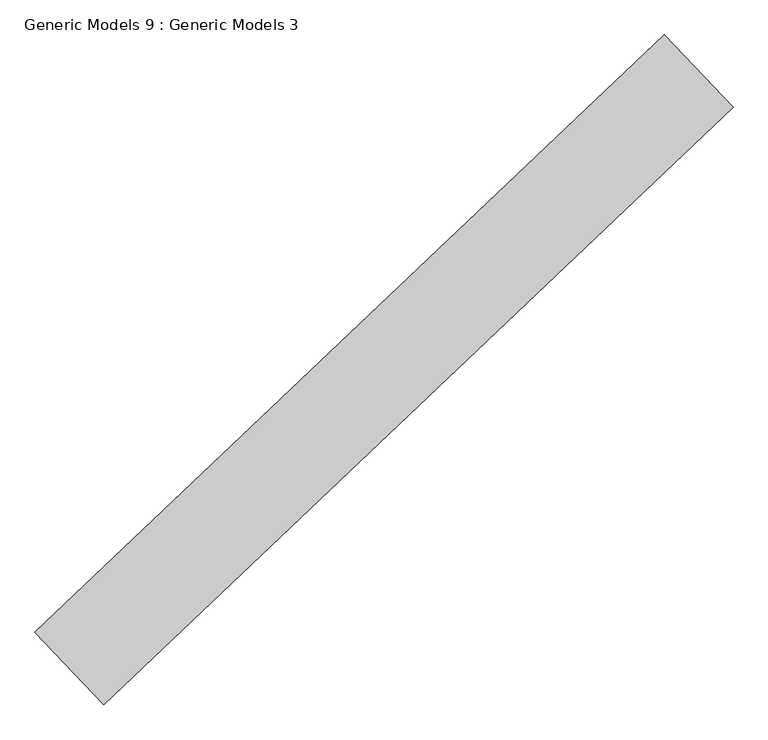
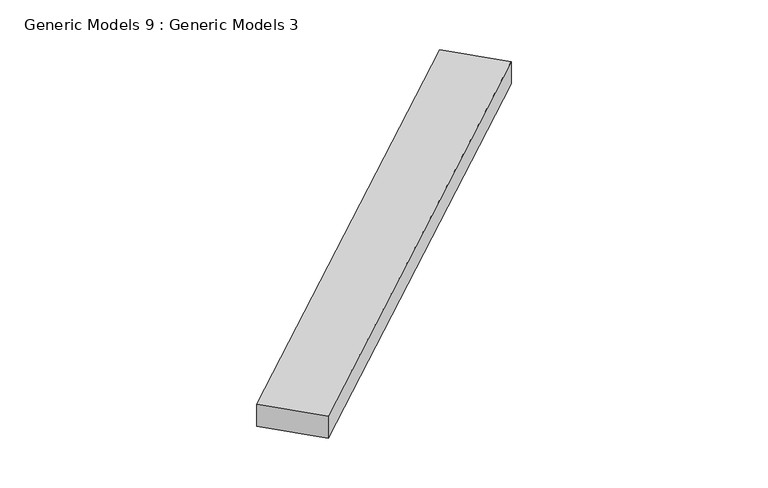
"""IFC4 building model written with IfcOpenShell, lengths in millimetres: proxy geometry, Generic Models 9 : Generic Models 3."""

import ifcopenshell
import ifcopenshell.guid

model = None  # the IFC model being written
_history = None  # IfcOwnerHistory: only IFC2X3 demands one
_inside = {}  # id of a spatial element -> (the spatial element, [elements in it])
_under = {}  # id of a project, library or spatial element -> (it, [spatial elements below it])
_declared = {}  # id of a project -> (the project, [libraries it declares])
_typed = {}  # id of a type object -> (the type object, [elements of that type])
_made_of = {}  # id of a material, layer set ... -> (it, [elements and type objects made of it])


def new_model(schema):
    """Start an empty IFC model of exactly this schema.

    Asked for "IFC4X3", IfcOpenShell would pick the latest addendum, in which some entities
    have other attributes; the version numbers below select the first issue.
    IFC2X3 requires an IfcOwnerHistory on every rooted entity: one is made here for all.
    """
    global model, _history
    if schema == "IFC4X3":
        model = ifcopenshell.file(schema_version=(4, 3, 0, 0))
    else:
        model = ifcopenshell.file(schema=schema)
    _inside.clear()
    _under.clear()
    _declared.clear()
    _typed.clear()
    _made_of.clear()
    _history = None
    if model.schema == "IFC2X3":
        org = make("IfcOrganization", Name="unknown")
        user = make(
            "IfcPersonAndOrganization",
            ThePerson=make("IfcPerson", FamilyName="unknown"),
            TheOrganization=org,
        )
        app = make(
            "IfcApplication",
            ApplicationDeveloper=org,
            Version="unknown",
            ApplicationFullName="unknown",
            ApplicationIdentifier="unknown",
        )
        _history = make(
            "IfcOwnerHistory",
            OwningUser=user,
            OwningApplication=app,
            ChangeAction="ADDED",
            CreationDate=0,
        )
    return model


def make(cls, **values):
    """One entity of the class cls with the attributes given. An attribute that is None is left unset."""
    return model.create_entity(
        cls, **{name: value for name, value in values.items() if value is not None}
    )


def rooted(cls, **values):
    """An entity with a GlobalId (a new one), such as an element, a storey or a relation."""
    return make(cls, GlobalId=ifcopenshell.guid.new(), OwnerHistory=_history, **values)


def si_unit(unit_type, name, prefix=None):
    """IfcSIUnit, for example si_unit("LENGTHUNIT", "METRE", prefix="MILLI")."""
    return make("IfcSIUnit", UnitType=unit_type, Prefix=prefix, Name=name)


def assignment(units):
    """IfcUnitAssignment: the units of a project."""
    return None if units is None else make("IfcUnitAssignment", Units=units)


def point(xyz):
    """IfcCartesianPoint."""
    return None if xyz is None else make("IfcCartesianPoint", Coordinates=xyz)


def direction(xyz):
    """IfcDirection."""
    return None if xyz is None else make("IfcDirection", DirectionRatios=xyz)


def frame(location, z_axis=None, x_axis=None):
    """IfcAxis2Placement3D, a coordinate frame: its origin and axes. An axis left out is left unset."""
    return make(
        "IfcAxis2Placement3D",
        Location=point(location),
        Axis=direction(z_axis),
        RefDirection=direction(x_axis),
    )


def origin():
    """The frame at (0, 0, 0) with its axes left unset."""
    return frame((0.0, 0.0, 0.0))


def place(relative_to, where):
    """IfcLocalPlacement: puts the frame where relative to a parent placement (None: the world)."""
    return make(
        "IfcLocalPlacement", PlacementRelTo=relative_to, RelativePlacement=where
    )


def context(
    kind, dimensions, precision=None, world=None, true_north=None, identifier=None
):
    """IfcGeometricRepresentationContext, for example the 3D "Model" context."""
    return make(
        "IfcGeometricRepresentationContext",
        ContextIdentifier=identifier,
        ContextType=kind,
        CoordinateSpaceDimension=dimensions,
        Precision=precision,
        WorldCoordinateSystem=world,
        TrueNorth=true_north,
    )


def project(units=None, contexts=None):
    """IfcProject with its units and contexts."""
    return rooted(
        "IfcProject",
        Name="project",
        RepresentationContexts=contexts,
        UnitsInContext=assignment(units),
    )


def spatial(cls, under=None, at=None, **own):
    """A site, building, storey or space (cls), placed at a placement, below another one or the project."""
    s = rooted(cls, ObjectPlacement=at, **own)
    if under is not None:
        _under.setdefault(under.id(), (under, []))[1].append(s)
    return s


def polyline(points):
    """IfcPolyline through the points."""
    return make("IfcPolyline", Points=[point(p) for p in points])


def outline(outer, holes=None, kind="AREA"):
    """IfcArbitraryClosedProfileDef: a profile drawn as a closed curve; with holes, ...WithVoids."""
    if holes is None:
        return make("IfcArbitraryClosedProfileDef", ProfileType=kind, OuterCurve=outer)
    return make(
        "IfcArbitraryProfileDefWithVoids",
        ProfileType=kind,
        OuterCurve=outer,
        InnerCurves=holes,
    )


def extrude(swept, where, along, depth):
    """IfcExtrudedAreaSolid: the profile swept, set in the frame where, extruded along a direction by depth."""
    return make(
        "IfcExtrudedAreaSolid",
        SweptArea=swept,
        Position=where,
        ExtrudedDirection=direction(along),
        Depth=depth,
    )


def shape(context_of_items, identifier, shape_type, items):
    """IfcShapeRepresentation: the items that make up one representation, for example the "Body"."""
    return make(
        "IfcShapeRepresentation",
        ContextOfItems=context_of_items,
        RepresentationIdentifier=identifier,
        RepresentationType=shape_type,
        Items=items,
    )


def source(mapping_origin, context_of_items, identifier, shape_type, items):
    """IfcRepresentationMap: a shape defined once, which mapped items show again and again."""
    return make(
        "IfcRepresentationMap",
        MappingOrigin=mapping_origin,
        MappedRepresentation=shape(context_of_items, identifier, shape_type, items),
    )


def transform(
    local_origin,
    x_axis=None,
    y_axis=None,
    z_axis=None,
    scale=None,
    scale2=None,
    scale3=None,
    uniform=True,
):
    """IfcCartesianTransformationOperator3D, or its non-uniform kind. x_axis, y_axis, z_axis: its Axis1, 2, 3."""
    if uniform:
        return make(
            "IfcCartesianTransformationOperator3D",
            Axis1=direction(x_axis),
            Axis2=direction(y_axis),
            LocalOrigin=point(local_origin),
            Scale=scale,
            Axis3=direction(z_axis),
        )
    return make(
        "IfcCartesianTransformationOperator3DnonUniform",
        Axis1=direction(x_axis),
        Axis2=direction(y_axis),
        LocalOrigin=point(local_origin),
        Scale=scale,
        Axis3=direction(z_axis),
        Scale2=scale2,
        Scale3=scale3,
    )


def mapped(mapping_source, mapping_target):
    """IfcMappedItem: shows the shape of a source again, moved by a transform."""
    return make(
        "IfcMappedItem", MappingSource=mapping_source, MappingTarget=mapping_target
    )


def made_of(thing, what):
    """Note that an element or type object is made of a material, layer set ...; save() writes the relation."""
    if what is not None:
        _made_of.setdefault(what.id(), (what, []))[1].append(thing)
    return thing


def element(
    cls,
    number,
    at=None,
    inside=None,
    cuts=None,
    type_object=None,
    material=None,
    context=None,
    identifier="Body",
    shape_type=None,
    held_by="IfcProductDefinitionShape",
    body=None,
    shapes=None,
    **own,
):
    """One element of the class cls, such as IfcWall. Its Tag is "e" and its number.

    at: its placement. inside: the storey or other place that contains it. cuts: it is an
    opening in that element (IfcRelVoidsElement). A single representation is given by context,
    identifier, shape_type and body (its items); several are given by shapes. held_by: the class
    of the entity that holds the representations. save() writes the other relations.
    """
    e = rooted(cls, Tag="e%d" % number, ObjectPlacement=at, **own)
    if body is not None:
        shapes = [shape(context, identifier, shape_type, body)]
    if shapes is not None:
        e.Representation = make(held_by, Representations=shapes)
    if inside is not None:
        _inside.setdefault(inside.id(), (inside, []))[1].append(e)
    if cuts is not None:
        rooted(
            "IfcRelVoidsElement", RelatingBuildingElement=cuts, RelatedOpeningElement=e
        )
    if type_object is not None:
        _typed.setdefault(type_object.id(), (type_object, []))[1].append(e)
    return made_of(e, material)


def aggregate(whole, parts):
    """IfcRelAggregates: a whole, such as a stair, and the parts it consists of."""
    return rooted("IfcRelAggregates", RelatingObject=whole, RelatedObjects=parts)


def save(model, path):
    """Write the relations noted so far, then the file.

    IfcRelAggregates (storeys below a building ...), IfcRelContainedInSpatialStructure (elements
    in a storey), IfcRelDefinesByType, IfcRelAssociatesMaterial and IfcRelDeclares: one each for
    every whole, place, type object, material and project.
    """
    for whole, parts in _under.values():
        aggregate(whole, parts)
    for where, things in _inside.values():
        rooted(
            "IfcRelContainedInSpatialStructure",
            RelatedElements=things,
            RelatingStructure=where,
        )
    for kind, things in _typed.values():
        rooted("IfcRelDefinesByType", RelatedObjects=things, RelatingType=kind)
    for what, things in _made_of.values():
        rooted("IfcRelAssociatesMaterial", RelatedObjects=things, RelatingMaterial=what)
    for by, libraries in _declared.values():
        rooted("IfcRelDeclares", RelatingContext=by, RelatedDefinitions=libraries)
    model.write(path)


def generic_models_9_generic_models_3_6cc3f3e7(model_context):
    return source(origin(), model_context, "Body", "SweptSolid", [
        extrude(outline(polyline([(102708.3190883, 43616.8809222), (102807.6513003, 43512.2066113), (101899.0926991, 42650.016692), (101799.7604871, 42754.6910028), (102708.3190883, 43616.8809222)])), frame((0.0, 0.0, 17118.33), z_axis=(0.0, 0.0, 1.0), x_axis=(1.0, 0.0, 0.0)), (0.0, 0.0, 1.0), 52.07),
    ])


if __name__ == "__main__":
    model = new_model("IFC4")
    model_context = context("Model", 3, world=origin())
    ifc_project = project(units=[si_unit("LENGTHUNIT", "METRE", prefix="MILLI")], contexts=[model_context])
    site = spatial("IfcSite", under=ifc_project)
    building = spatial("IfcBuilding", under=site)
    placement = place(None, origin())
    generic_models_9_generic_models_3_shape = generic_models_9_generic_models_3_6cc3f3e7(model_context)
    element("IfcBuildingElementProxy", 1, Name="Generic Models 9 : Generic Models 3", ObjectType="Generic Models 9 : Generic Models 3", at=placement, inside=building, context=model_context, shape_type="MappedRepresentation", body=[
        mapped(generic_models_9_generic_models_3_shape, transform((0.0, 0.0, 0.0), x_axis=(1.0, 0.0, 0.0), y_axis=(0.0, 1.0, 0.0), z_axis=(0.0, 0.0, 1.0))),
    ])
    save(model, "model.ifc")
